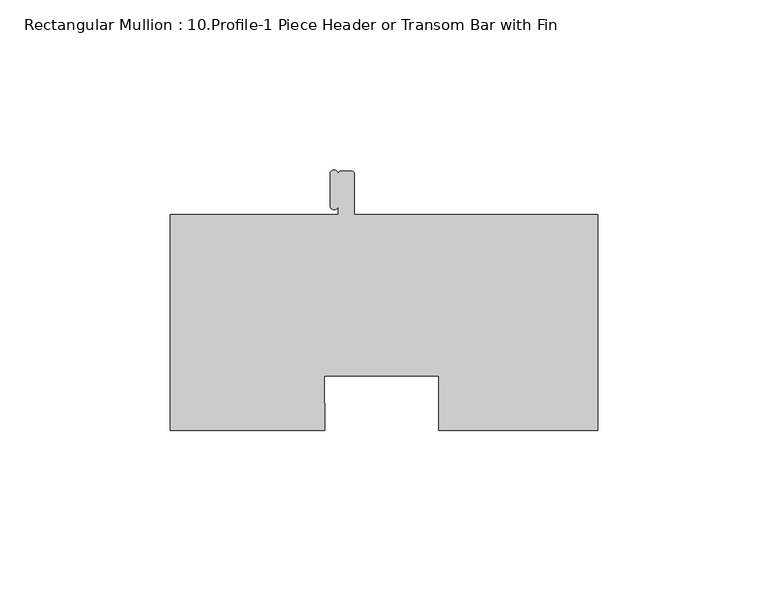
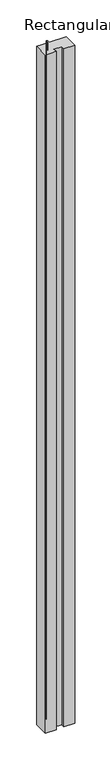
"""IFC4 building model written with IfcOpenShell, lengths in millimetres: member geometry, Rectangular Mullion : 10.Profile-1 Piece Header or Transom Bar with Fin."""

from ifc_helpers import new_model, si_unit, frame, origin, place, context, project, spatial, circle_curve, source, transform, mapped, element, save
from ifc_brep_helpers import plane_surface, cylinder_surface, advanced_brep


def rectangular_mullion_10_profile_1_piece_header_or_transom_bar_31ea9d80(model_context):
    return source(origin(), model_context, "Body", "AdvancedBrep", [
        advanced_brep(
        [(-125.7808, -31.75, 0.0), (-80.2810629, -31.75, 0.0), (-80.4752652, -15.8624762, 0.0), (-46.8503, -15.8624762, 0.0), (-46.8503, -31.75, 0.0), (0.0, -31.75, 0.0), (0.0, 31.75, 0.0), (-71.6026, 31.75, 0.0), (-71.6026, 43.6626, 0.0), (-72.39, 44.45, 0.0), (-75.5904, 44.45, 0.0), (-76.3777096, 43.6506706, 0.0), (-78.765146, 43.6325845, 0.0), (-78.765146, 34.3072291, 0.0), (-76.3778, 34.2826042, 0.0), (-76.3778, 31.75, 0.0), (-125.7808, 31.75, 0.0), (-125.7808, -31.75, -3048.0), (-125.7808, 31.75, -3048.0), (-76.3778, 31.75, -3048.0), (-76.3778, 34.2826042, -3048.0), (-78.765146, 34.3072291, -3048.0), (-78.765146, 43.6325845, -3048.0), (-76.377683, 43.650671, -3048.0), (-75.5904, 44.45, -3048.0), (-72.39, 44.45, -3048.0), (-71.6026, 43.6626, -3048.0), (-71.6026, 31.75, -3048.0), (0.0, 31.75, -3048.0), (0.0, -31.75, -3048.0), (-46.8503, -31.75, -3048.0), (-46.8503, -15.8624762, -3048.0), (-80.4752652, -15.8624762, -3048.0), (-80.2810629, -31.75, -3048.0)],
        [
            (0, 1),
            (1, 2),
            (2, 3),
            (3, 4),
            (4, 5),
            (5, 6),
            (6, 7),
            (7, 8),
            (8, 9, circle_curve(frame((-72.39, 43.6626, 0.0), z_axis=(0.0, 0.0, 1.0), x_axis=(1.0, 0.0, 0.0)), 0.7874)),
            (9, 10),
            (10, 11, circle_curve(frame((-75.5904, 43.6626, 0.0), z_axis=(0.0, 0.0, 1.0), x_axis=(0.0, 1.0, 0.0)), 0.7874)),
            (11, 12, circle_curve(frame((-77.571346, 43.6325845, 0.0), z_axis=(0.0, 0.0, 1.0), x_axis=(1.0, 0.0, 0.0)), 1.1938)),
            (12, 13),
            (13, 14, circle_curve(frame((-77.571346, 34.3072291, 0.0), z_axis=(0.0, 0.0, 1.0), x_axis=(-1.0, 0.0, 0.0)), 1.1938)),
            (14, 15),
            (15, 16),
            (16, 0),
            (17, 18),
            (18, 19),
            (19, 20),
            (20, 21, circle_curve(frame((-77.571346, 34.3072291, -3048.0), z_axis=(0.0, 0.0, -1.0), x_axis=(-1.0, 0.0, 0.0)), 1.1938)),
            (21, 22),
            (22, 23, circle_curve(frame((-77.571346, 43.6325845, -3048.0), z_axis=(0.0, 0.0, -1.0), x_axis=(1.0, 0.0, 0.0)), 1.1938)),
            (23, 24, circle_curve(frame((-75.5904, 43.6626, -3048.0), z_axis=(0.0, 0.0, -1.0), x_axis=(0.0, 1.0, 0.0)), 0.7874)),
            (24, 25),
            (25, 26, circle_curve(frame((-72.39, 43.6626, -3048.0), z_axis=(0.0, 0.0, -1.0), x_axis=(1.0, 0.0, 0.0)), 0.7874)),
            (26, 27),
            (27, 28),
            (28, 29),
            (29, 30),
            (30, 31),
            (31, 32),
            (32, 33),
            (33, 17),
            (0, 17),
            (33, 1),
            (32, 2),
            (31, 3),
            (30, 4),
            (29, 5),
            (28, 6),
            (27, 7),
            (26, 8),
            (25, 9),
            (24, 10),
            (23, 11),
            (22, 12),
            (21, 13),
            (20, 14),
            (19, 15),
            (18, 16),
        ],
        [
            plane_surface(frame((0.0, -129.7261429, 0.0), z_axis=(0.0, 0.0, 1.0), x_axis=(-1.0, 0.0, 0.0))),
            plane_surface(frame((0.0, -129.7261429, -3048.0), z_axis=(0.0, 0.0, -1.0), x_axis=(-1.0, 0.0, 0.0))),
            plane_surface(frame((-125.7808, -31.75, 0.0), z_axis=(0.0, -1.0, 0.0), x_axis=(0.0, 0.0, -1.0))),
            plane_surface(frame((-80.2810629, -31.75, 0.0), z_axis=(0.9999253005108204, 0.012222659217436585, 0.0), x_axis=(0.0, 0.0, -1.0))),
            plane_surface(frame((-80.4752652, -15.8624762, 0.0), z_axis=(0.0, -1.0, 0.0), x_axis=(0.0, 0.0, -1.0))),
            plane_surface(frame((-46.8503, -15.8624762, 0.0), z_axis=(-1.0, 0.0, 0.0), x_axis=(0.0, 0.0, -1.0))),
            plane_surface(frame((-46.8503, -31.75, 0.0), z_axis=(0.0, -1.0, 0.0), x_axis=(0.0, 0.0, -1.0))),
            plane_surface(frame((0.0, -31.75, 0.0), z_axis=(1.0, 0.0, 0.0), x_axis=(0.0, 0.0, -1.0))),
            plane_surface(frame((0.0, 31.75, 0.0), z_axis=(0.0, 1.0, 0.0), x_axis=(0.0, 0.0, -1.0))),
            plane_surface(frame((-71.6026, 31.75, 0.0), z_axis=(1.0, 0.0, 0.0), x_axis=(0.0, 0.0, -1.0))),
            cylinder_surface(frame((-72.39, 43.6626, 0.0), z_axis=(0.0, 0.0, 1.0), x_axis=(1.0, 0.0, 0.0)), 0.7874),
            plane_surface(frame((-72.39, 44.45, 0.0), z_axis=(0.0, 1.0, 0.0), x_axis=(0.0, 0.0, -1.0))),
            cylinder_surface(frame((-75.5904, 43.6626, 0.0), z_axis=(0.0, 0.0, 1.0), x_axis=(0.0, 1.0, 0.0)), 0.7874),
            cylinder_surface(frame((-77.571346, 43.6325845, 0.0), z_axis=(0.0, 0.0, 1.0), x_axis=(1.0, 0.0, 0.0)), 1.1938),
            plane_surface(frame((-78.765146, 43.6325845, 0.0), z_axis=(-1.0, 0.0, 0.0), x_axis=(0.0, 0.0, -1.0))),
            cylinder_surface(frame((-77.571346, 34.3072291, 0.0), z_axis=(0.0, 0.0, 1.0), x_axis=(-1.0, 0.0, 0.0)), 1.1938),
            plane_surface(frame((-76.3778, 34.2826042, 0.0), z_axis=(-1.0, 0.0, 0.0), x_axis=(0.0, 0.0, -1.0))),
            plane_surface(frame((-76.3778, 31.75, 0.0), z_axis=(0.0, 1.0, 0.0), x_axis=(0.0, 0.0, -1.0))),
            plane_surface(frame((-125.7808, 31.75, 0.0), z_axis=(-1.0, 0.0, 0.0), x_axis=(0.0, 0.0, -1.0))),
        ],
        [
            (0, [[1, 2, 3, 4, 5, 6, 7, 8, 9, 10, 11, 12, 13, 14, 15, 16, 17]]),
            (1, [[18, 19, 20, 21, 22, 23, 24, 25, 26, 27, 28, 29, 30, 31, 32, 33, 34]]),
            (2, [[-1, 35, -34, 36]]),
            (3, [[-2, -36, -33, 37]]),
            (4, [[-3, -37, -32, 38]]),
            (5, [[-4, -38, -31, 39]]),
            (6, [[-5, -39, -30, 40]]),
            (7, [[-6, -40, -29, 41]]),
            (8, [[-7, -41, -28, 42]]),
            (9, [[-8, -42, -27, 43]]),
            (10, [[-9, -43, -26, 44]]),
            (11, [[-10, -44, -25, 45]]),
            (12, [[-11, -45, -24, 46]]),
            (13, [[-12, -46, -23, 47]]),
            (14, [[-13, -47, -22, 48]]),
            (15, [[-14, -48, -21, 49]]),
            (16, [[-15, -49, -20, 50]]),
            (17, [[-16, -50, -19, 51]]),
            (18, [[-17, -51, -18, -35]]),
        ],
    ),
    ])


if __name__ == "__main__":
    model = new_model("IFC4")
    model_context = context("Model", 3, world=origin())
    ifc_project = project(units=[si_unit("LENGTHUNIT", "METRE", prefix="MILLI")], contexts=[model_context])
    site = spatial("IfcSite", under=ifc_project)
    building = spatial("IfcBuilding", under=site)
    placement = place(None, origin())
    rectangular_mullion_10_profile_1_piece_header_or_transom_bar_shape = rectangular_mullion_10_profile_1_piece_header_or_transom_bar_31ea9d80(model_context)
    element("IfcMember", 1, ObjectType="Rectangular Mullion : 10.Profile-1 Piece Header or Transom Bar with Fin", at=placement, inside=building, context=model_context, shape_type="MappedRepresentation", body=[
        mapped(rectangular_mullion_10_profile_1_piece_header_or_transom_bar_shape, transform((0.0, 0.0, 0.0), x_axis=(1.0, 0.0, 0.0), y_axis=(0.0, 1.0, 0.0), z_axis=(0.0, 0.0, 1.0))),
    ])
    save(model, "model.ifc")
